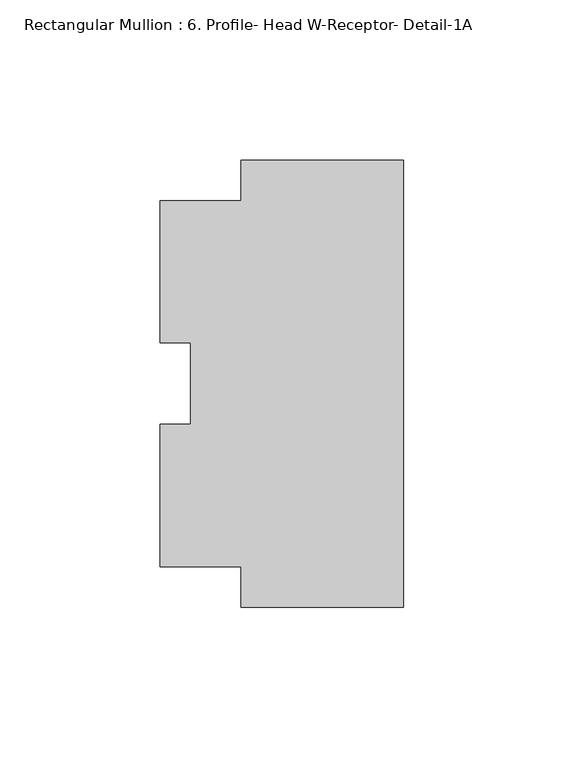
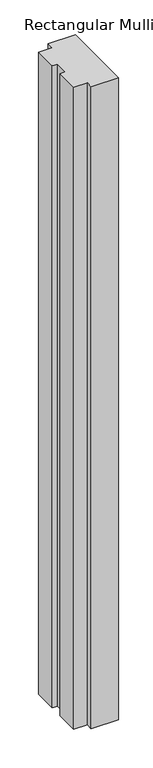
"""IFC4 building model written with IfcOpenShell, lengths in millimetres: member geometry, Rectangular Mullion : 6. Profile- Head W-Receptor- Detail-1A."""

from ifc_helpers import new_model, si_unit, frame, origin, place, context, project, spatial, polyline, outline, extrude, source, transform, mapped, element, save


def rectangular_mullion_6_profile_head_w_receptor_detail_1a_fc51740d(model_context):
    return source(origin(), model_context, "Body", "SweptSolid", [
        extrude(outline(polyline([(0.0, -69.85), (-50.8, -69.85), (-50.8, -57.15), (-76.2, -57.15), (-76.2, -12.7550661), (-66.675, -12.7550661), (-66.675, 12.7326322), (-76.2, 12.7326322), (-76.2, 57.15), (-50.7746, 57.15), (-50.7746, 69.85), (0.0, 69.85), (0.0, -69.85)])), frame((0.0, 0.0, -1273.175), z_axis=(0.0, 0.0, 1.0), x_axis=(1.0, 0.0, 0.0)), (0.0, 0.0, 1.0), 1273.175),
    ])


if __name__ == "__main__":
    model = new_model("IFC4")
    model_context = context("Model", 3, world=origin())
    ifc_project = project(units=[si_unit("LENGTHUNIT", "METRE", prefix="MILLI")], contexts=[model_context])
    site = spatial("IfcSite", under=ifc_project)
    building = spatial("IfcBuilding", under=site)
    placement = place(None, origin())
    rectangular_mullion_6_profile_head_w_receptor_detail_1a_shape = rectangular_mullion_6_profile_head_w_receptor_detail_1a_fc51740d(model_context)
    element("IfcMember", 1, ObjectType="Rectangular Mullion : 6. Profile- Head W-Receptor- Detail-1A", at=placement, inside=building, context=model_context, shape_type="MappedRepresentation", body=[
        mapped(rectangular_mullion_6_profile_head_w_receptor_detail_1a_shape, transform((0.0, 0.0, 0.0), x_axis=(1.0, 0.0, 0.0), y_axis=(0.0, 1.0, 0.0), z_axis=(0.0, 0.0, 1.0))),
    ])
    save(model, "model.ifc")
